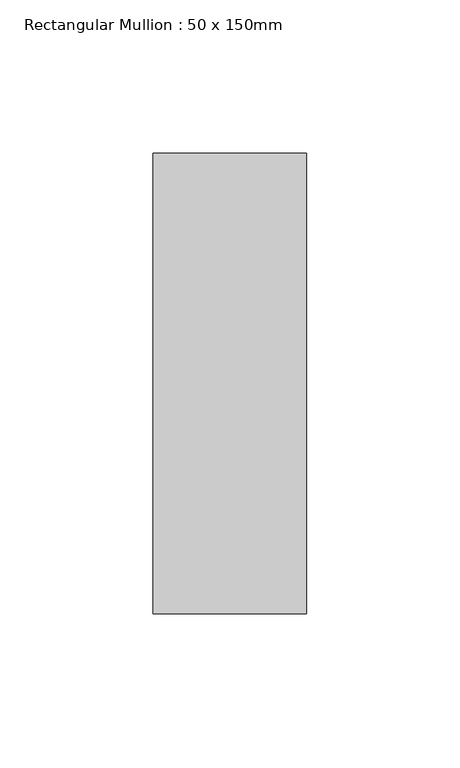
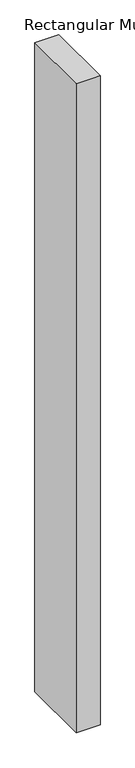
"""IFC4 building model written with IfcOpenShell, lengths in millimetres: member geometry, Rectangular Mullion : 50 x 150mm."""

from ifc_helpers import new_model, si_unit, frame, origin, place, context, project, spatial, polyline, outline, extrude, source, transform, mapped, element, save


def rectangular_mullion_50_x_150mm_ec388541(model_context):
    return source(origin(), model_context, "Body", "SweptSolid", [
        extrude(outline(polyline([(0.0, 75.0), (0.0, -75.0), (-50.0, -75.0), (-50.0, 75.0), (0.0, 75.0)])), frame((0.0, 0.0, -1439.0003103), z_axis=(0.0, 0.0, 1.0), x_axis=(1.0, 0.0, 0.0)), (0.0, 0.0, 1.0), 1439.0003103),
    ])


if __name__ == "__main__":
    model = new_model("IFC4")
    model_context = context("Model", 3, world=origin())
    ifc_project = project(units=[si_unit("LENGTHUNIT", "METRE", prefix="MILLI")], contexts=[model_context])
    site = spatial("IfcSite", under=ifc_project)
    building = spatial("IfcBuilding", under=site)
    placement = place(None, origin())
    rectangular_mullion_50_x_150mm_shape = rectangular_mullion_50_x_150mm_ec388541(model_context)
    element("IfcMember", 1, ObjectType="Rectangular Mullion : 50 x 150mm", at=placement, inside=building, context=model_context, shape_type="MappedRepresentation", body=[
        mapped(rectangular_mullion_50_x_150mm_shape, transform((0.0, 0.0, 0.0), x_axis=(1.0, 0.0, 0.0), y_axis=(0.0, 1.0, 0.0), z_axis=(0.0, 0.0, 1.0))),
    ])
    save(model, "model.ifc")
